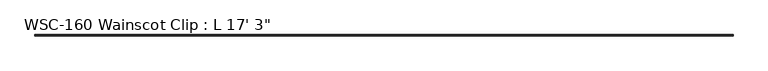
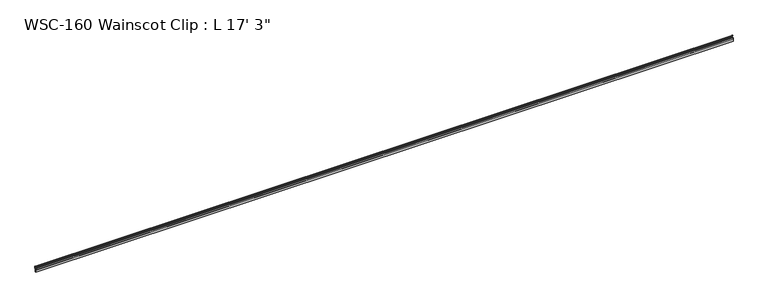
"""IFC4 building model written with IfcOpenShell, lengths in millimetres: proxy geometry."""

from ifc_helpers import new_model, si_unit, frame, origin, place, context, project, spatial, polyline, circle_curve, source, transform, mapped, element, save
from ifc_brep_helpers import plane_surface, cylinder_surface, revolved_surface, advanced_brep


def proxy_255d72a4(model_context):
    return source(origin(), model_context, "Body", "AdvancedBrep", [
        advanced_brep(
        [(5257.8, -2.3858534, 23.8097395), (5257.8, 0.0, 23.8097395), (5257.8, 0.0, 36.5513594), (5257.8, -2.3349522, 39.6132126), (5257.8, -2.0809522, 40.594561), (5257.8, -2.3349522, 41.3393599), (5257.8, -2.0809522, 42.1048475), (5257.8, -2.3329752, 43.1624591), (5257.8, -4.1129522, 43.1610826), (5257.8, -4.3669522, 42.395595), (5257.8, -4.1129522, 41.6507961), (5257.8, -4.3669522, 40.8853085), (5257.8, -4.1129522, 40.1405096), (5257.8, -4.1129522, 38.1388594), (5257.8, -3.175, 38.1388594), (5257.8, -1.5875, 36.5513594), (5257.8, -1.5875, 33.1154996), (5257.8, -1.3035832, 32.0559078), (5257.8, -1.3035832, 30.7205546), (5257.8, -1.5875, 29.9404996), (5257.8, -1.5875, 26.9720395), (5257.8, -3.1623, 25.3972395), (5257.8, -5.8629506, 25.3951457), (5257.8, -5.5328714, 24.6872886), (5257.8, -5.8629506, 23.9794315), (5257.8, -5.5328714, 23.2715744), (5257.8, -5.8629506, 22.5637173), (5257.8, -5.5328714, 21.8558602), (5257.8, -5.8629506, 21.1480031), (5257.8, -5.5328714, 20.440146), (5257.8, -5.8629506, 19.7322889), (5257.8, -5.5328714, 19.0244318), (5257.8, -5.8629506, 18.3165747), (5257.8, -5.5328714, 17.6087176), (5257.8, -5.8629506, 16.9008605), (5257.8, -5.5328714, 16.1930034), (5257.8, -5.5328714, 15.3090246), (5257.8, -8.2409572, 15.4279003), (5257.8, -8.2409572, 16.3510451), (5257.8, -8.050618, 17.1144537), (5257.8, -8.2409572, 17.9053684), (5257.8, -8.050618, 18.8008436), (5257.8, -8.2409572, 19.7152763), (5257.8, -8.050618, 20.4786849), (5257.8, -8.2409572, 21.3931176), (5257.8, -8.050618, 22.1565262), (5257.8, -8.2409572, 22.9474409), (5257.8, -8.050618, 23.7108495), (5257.8, -8.2409572, 24.5017642), (5257.8, -8.050618, 25.3972395), (5257.8, -9.525, 25.3972395), (5257.8, -9.525, 0.0), (5257.8, -5.6374865, 0.0), (5257.8, -5.6374865, 1.5327614), (5257.8, -6.5278, 1.5327614), (5257.8, -6.5278, 5.9833241), (5257.8, -7.2186149, 6.674139), (5257.8, -6.5278, 7.3649539), (5257.8, -6.5278, 11.8248539), (5257.8, -5.73278, 12.6198739), (5257.8, -3.9733534, 14.1980366), (5257.8, -3.9733534, 22.2222395), (0.0, -2.3858534, 23.8097395), (0.0, -3.9733534, 22.2222395), (0.0, -3.9733534, 14.1980366), (0.0, -5.73278, 12.6198739), (0.0, -6.5278, 11.8248539), (0.0, -6.5278, 7.3649539), (0.0, -7.2186149, 6.674139), (0.0, -6.5278, 5.9833241), (0.0, -6.5278, 1.5327614), (0.0, -5.6374865, 1.5327614), (0.0, -5.6374865, 0.0), (0.0, -9.525, 0.0), (0.0, -9.525, 25.3972395), (0.0, -8.050618, 25.3972395), (0.0, -8.2409572, 24.5017642), (0.0, -8.050618, 23.7108495), (0.0, -8.2409572, 22.9474409), (0.0, -8.050618, 22.1565262), (0.0, -8.2409572, 21.3931176), (0.0, -8.050618, 20.4786849), (0.0, -8.2409572, 19.7152763), (0.0, -8.050618, 18.8008436), (0.0, -8.2409572, 17.9053684), (0.0, -8.050618, 17.1144537), (0.0, -8.2409572, 16.3510451), (0.0, -8.2409572, 15.4279003), (0.0, -5.5328714, 15.3090246), (0.0, -5.5328714, 16.1930034), (0.0, -5.8629506, 16.9008605), (0.0, -5.5328714, 17.6087176), (0.0, -5.8629506, 18.3165747), (0.0, -5.5328714, 19.0244318), (0.0, -5.8629506, 19.7322889), (0.0, -5.5328714, 20.440146), (0.0, -5.8629506, 21.1480031), (0.0, -5.5328714, 21.8558602), (0.0, -5.8629506, 22.5637173), (0.0, -5.5328714, 23.2715744), (0.0, -5.8629506, 23.9794315), (0.0, -5.5328714, 24.6872886), (0.0, -5.8629506, 25.3951457), (0.0, -3.1623, 25.3951457), (0.0, -1.5875, 26.9720395), (0.0, -1.5875, 29.9404996), (0.0, -1.3035832, 30.7205546), (0.0, -1.3035832, 32.0559078), (0.0, -1.5875, 33.1154996), (0.0, -1.5875, 36.5513594), (0.0, -3.175, 38.1388594), (0.0, -4.1129522, 38.1388594), (0.0, -4.1129522, 40.1405096), (0.0, -4.3669522, 40.8853085), (0.0, -4.1129522, 41.6507961), (0.0, -4.3669522, 42.395595), (0.0, -4.1129522, 43.1610826), (0.0, -2.3329752, 43.1624591), (0.0, -2.0809522, 42.1048475), (0.0, -2.3349522, 41.3393599), (0.0, -2.0809522, 40.594561), (0.0, -2.3349522, 39.6132126), (0.0, 0.0, 36.5513594), (0.0, 0.0, 23.8097395)],
        [
            (0, 1),
            (1, 2),
            (2, 3, circle_curve(frame((5257.8, -3.175, 36.5513594), z_axis=(1.0, 0.0, 0.0), x_axis=(0.0, 0.0, -1.0)), 3.175)),
            (3, 4),
            (4, 5),
            (5, 6),
            (6, 7),
            (7, 8, circle_curve(frame((5257.8, -3.2239522, 44.4400699), z_axis=(-1.0, 0.0, 0.0), x_axis=(0.0, 0.0, -1.0)), 1.5576038)),
            (8, 9),
            (9, 10),
            (10, 11),
            (11, 12),
            (12, 13),
            (13, 14),
            (14, 15, circle_curve(frame((5257.8, -3.175, 36.5513594), z_axis=(-1.0, 0.0, 0.0), x_axis=(0.0, 0.0, -1.0)), 1.5875)),
            (15, 16),
            (16, 17),
            (17, 18),
            (18, 19),
            (19, 20),
            (20, 21, circle_curve(frame((5257.8, -3.1623, 26.9720395), z_axis=(-1.0, 0.0, 0.0), x_axis=(0.0, 0.0, -1.0)), 1.5748)),
            (21, 22),
            (22, 23),
            (23, 24),
            (24, 25),
            (25, 26),
            (26, 27),
            (27, 28),
            (28, 29),
            (29, 30),
            (30, 31),
            (31, 32),
            (32, 33),
            (33, 34),
            (34, 35),
            (35, 36),
            (36, 37, circle_curve(frame((5257.8, -6.8679054, 15.8014998), z_axis=(-1.0, 0.0, 0.0), x_axis=(0.0, 0.0, -1.0)), 1.4229714)),
            (37, 38),
            (38, 39),
            (39, 40),
            (40, 41),
            (41, 42),
            (42, 43),
            (43, 44),
            (44, 45),
            (45, 46),
            (46, 47),
            (47, 48),
            (48, 49),
            (49, 50),
            (50, 51),
            (51, 52),
            (52, 53),
            (53, 54),
            (54, 55),
            (55, 56),
            (56, 57),
            (57, 58),
            (58, 59, circle_curve(frame((5257.8, -5.73278, 11.8248539), z_axis=(-1.0, 0.0, 0.0), x_axis=(0.0, 0.0, -1.0)), 0.79502)),
            (59, 60, circle_curve(frame((5257.8, -5.5608534, 14.1980366), z_axis=(1.0, 0.0, 0.0), x_axis=(0.0, 0.0, -1.0)), 1.5875)),
            (60, 61),
            (61, 0, circle_curve(frame((5257.8, -2.3858534, 22.2222395), z_axis=(-1.0, 0.0, 0.0), x_axis=(0.0, 0.0, -1.0)), 1.5875)),
            (62, 63, circle_curve(frame((0.0, -2.3858534, 22.2222395), z_axis=(1.0, 0.0, 0.0), x_axis=(0.0, 0.0, -1.0)), 1.5875)),
            (63, 64),
            (64, 65, circle_curve(frame((0.0, -5.5608534, 14.1980366), z_axis=(-1.0, 0.0, 0.0), x_axis=(0.0, 0.0, -1.0)), 1.5875)),
            (65, 66, circle_curve(frame((0.0, -5.73278, 11.8248539), z_axis=(1.0, 0.0, 0.0), x_axis=(0.0, 0.0, -1.0)), 0.79502)),
            (66, 67),
            (67, 68),
            (68, 69),
            (69, 70),
            (70, 71),
            (71, 72),
            (72, 73),
            (73, 74),
            (74, 75),
            (75, 76),
            (76, 77),
            (77, 78),
            (78, 79),
            (79, 80),
            (80, 81),
            (81, 82),
            (82, 83),
            (83, 84),
            (84, 85),
            (85, 86),
            (86, 87),
            (87, 88, circle_curve(frame((0.0, -6.8679054, 15.8014998), z_axis=(1.0, 0.0, 0.0), x_axis=(0.0, 0.0, -1.0)), 1.4229714)),
            (88, 89),
            (89, 90),
            (90, 91),
            (91, 92),
            (92, 93),
            (93, 94),
            (94, 95),
            (95, 96),
            (96, 97),
            (97, 98),
            (98, 99),
            (99, 100),
            (100, 101),
            (101, 102),
            (102, 103),
            (103, 104, circle_curve(frame((0.0, -3.1623, 26.9720395), z_axis=(1.0, 0.0, 0.0), x_axis=(0.0, 0.0, -1.0)), 1.5748)),
            (104, 105),
            (105, 106),
            (106, 107),
            (107, 108),
            (108, 109),
            (109, 110, circle_curve(frame((0.0, -3.175, 36.5513594), z_axis=(1.0, 0.0, 0.0), x_axis=(0.0, 0.0, -1.0)), 1.5875)),
            (110, 111),
            (111, 112),
            (112, 113),
            (113, 114),
            (114, 115),
            (115, 116),
            (116, 117, circle_curve(frame((0.0, -3.2239522, 44.4400699), z_axis=(1.0, 0.0, 0.0), x_axis=(0.0, 0.0, -1.0)), 1.5576038)),
            (117, 118),
            (118, 119),
            (119, 120),
            (120, 121),
            (121, 122, circle_curve(frame((0.0, -3.175, 36.5513594), z_axis=(-1.0, 0.0, 0.0), x_axis=(0.0, 0.0, -1.0)), 3.175)),
            (122, 123),
            (123, 62),
            (0, 62),
            (123, 1),
            (122, 2),
            (121, 3),
            (120, 4),
            (119, 5),
            (118, 6),
            (117, 7),
            (116, 8),
            (115, 9),
            (114, 10),
            (113, 11),
            (112, 12),
            (111, 13),
            (110, 14),
            (109, 15),
            (108, 16),
            (107, 17),
            (106, 18),
            (105, 19),
            (104, 20),
            (103, 21),
            (102, 22),
            (101, 23),
            (100, 24),
            (99, 25),
            (98, 26),
            (97, 27),
            (96, 28),
            (95, 29),
            (94, 30),
            (93, 31),
            (92, 32),
            (91, 33),
            (90, 34),
            (89, 35),
            (88, 36),
            (87, 37),
            (86, 38),
            (85, 39),
            (84, 40),
            (83, 41),
            (82, 42),
            (81, 43),
            (80, 44),
            (79, 45),
            (78, 46),
            (77, 47),
            (76, 48),
            (75, 49),
            (74, 50),
            (73, 51),
            (72, 52),
            (71, 53),
            (70, 54),
            (69, 55),
            (68, 56),
            (67, 57),
            (66, 58),
            (65, 59),
            (64, 60),
            (63, 61),
        ],
        [
            plane_surface(frame((5257.8, -2.3858534, 23.8097395), z_axis=(1.0, 0.0, 0.0), x_axis=(0.0, 1.0, 0.0))),
            plane_surface(frame((0.0, -2.3858534, 23.8097395), z_axis=(-1.0, 0.0, 0.0), x_axis=(0.0, -1.0, 0.0))),
            plane_surface(frame((5257.8, -2.3858534, 23.8097395), z_axis=(0.0, 0.0, -1.0), x_axis=(-1.0, 0.0, 0.0))),
            plane_surface(frame((5257.8, 0.0, 23.8097395), z_axis=(0.0, 1.0, 0.0), x_axis=(-1.0, 0.0, 0.0))),
            cylinder_surface(frame((0.0, -3.175, 36.5513594), z_axis=(1.0, 0.0, 0.0), x_axis=(0.0, 0.0, -1.0)), 3.175),
            plane_surface(frame((5257.8, -2.3349522, 39.6132126), z_axis=(0.0, 0.9680983532440974, -0.25057050593808283), x_axis=(-1.0, 0.0, 0.0))),
            plane_surface(frame((5257.8, -2.0809522, 40.594561), z_axis=(0.0, 0.9464747536957336, 0.32277785025710864), x_axis=(-1.0, 0.0, 0.0))),
            plane_surface(frame((5257.8, -2.3349522, 41.3393599), z_axis=(0.0, 0.9491148332111727, -0.3149302039794338), x_axis=(-1.0, 0.0, 0.0))),
            plane_surface(frame((5257.8, -2.0809522, 42.1048475), z_axis=(0.0, 0.9727625382470033, 0.23180389164819368), x_axis=(-1.0, 0.0, 0.0))),
            revolved_surface(polyline([(0.0, -3.2239522, 42.882466099999995), (5257.8, -3.2239522, 42.882466099999995)]), (0.0, -3.2239522, 44.4400699), (-1.0, 0.0, 0.0)),
            plane_surface(frame((5257.8, -4.1129522, 43.1610826), z_axis=(0.0, -0.9491148332111751, 0.31493020397942695), x_axis=(-1.0, 0.0, 0.0))),
            plane_surface(frame((5257.8, -4.3669522, 42.395595), z_axis=(0.0, -0.946474753695733, -0.3227778502571104), x_axis=(-1.0, 0.0, 0.0))),
            plane_surface(frame((5257.8, -4.1129522, 41.6507961), z_axis=(0.0, -0.9491148332111737, 0.31493020397943094), x_axis=(-1.0, 0.0, 0.0))),
            plane_surface(frame((5257.8, -4.3669522, 40.8853085), z_axis=(0.0, -0.946474753695735, -0.32277785025710465), x_axis=(-1.0, 0.0, 0.0))),
            plane_surface(frame((5257.8, -4.1129522, 40.1405096), z_axis=(0.0, -1.0, 0.0), x_axis=(-1.0, 0.0, 0.0))),
            plane_surface(frame((5257.8, -4.1129522, 38.1388594), z_axis=(0.0, 0.0, -1.0), x_axis=(-1.0, 0.0, 0.0))),
            revolved_surface(polyline([(0.0, -3.175, 34.963859400000004), (5257.8, -3.175, 34.963859400000004)]), (0.0, -3.175, 36.5513594), (-1.0, 0.0, 0.0)),
            plane_surface(frame((5257.8, -1.5875, 36.5513594), z_axis=(0.0, -1.0, 0.0), x_axis=(-1.0, 0.0, 0.0))),
            plane_surface(frame((5257.8, -1.5875, 33.1154996), z_axis=(0.0, -0.9659258262890671, -0.2588190451025254), x_axis=(-1.0, 0.0, 0.0))),
            plane_surface(frame((5257.8, -1.3035832, 32.0559078), z_axis=(0.0, -1.0, 0.0), x_axis=(-1.0, 0.0, 0.0))),
            plane_surface(frame((5257.8, -1.3035832, 30.7205546), z_axis=(0.0, -0.9396926207859093, 0.3420201433256662), x_axis=(-1.0, 0.0, 0.0))),
            plane_surface(frame((5257.8, -1.5875, 29.9404996), z_axis=(0.0, -1.0, 0.0), x_axis=(-1.0, 0.0, 0.0))),
            revolved_surface(polyline([(0.0, -3.1623, 25.3972395), (5257.8, -3.1623, 25.3972395)]), (0.0, -3.1623, 26.9720395), (-1.0, 0.0, 0.0)),
            plane_surface(frame((5257.8, -3.1623, 25.3951457), z_axis=(0.0, 0.0, 1.0), x_axis=(-1.0, 0.0, 0.0))),
            plane_surface(frame((5257.8, -5.8629506, 25.3951457), z_axis=(0.0, -0.9063077870366459, -0.4226182617407081), x_axis=(-1.0, 0.0, 0.0))),
            plane_surface(frame((5257.8, -5.5328714, 24.6872886), z_axis=(0.0, -0.9063077870366516, 0.42261826174069606), x_axis=(-1.0, 0.0, 0.0))),
            plane_surface(frame((5257.8, -5.8629506, 23.9794315), z_axis=(0.0, -0.9063077870366458, -0.4226182617407084), x_axis=(-1.0, 0.0, 0.0))),
            plane_surface(frame((5257.8, -5.5328714, 23.2715744), z_axis=(0.0, -0.906307787036653, 0.42261826174069284), x_axis=(-1.0, 0.0, 0.0))),
            plane_surface(frame((5257.8, -5.8629506, 22.5637173), z_axis=(0.0, -0.9063077870366464, -0.4226182617407073), x_axis=(-1.0, 0.0, 0.0))),
            plane_surface(frame((5257.8, -5.5328714, 21.8558602), z_axis=(0.0, -0.9063077870366542, 0.4226182617406906), x_axis=(-1.0, 0.0, 0.0))),
            plane_surface(frame((5257.8, -5.8629506, 21.1480031), z_axis=(0.0, -0.9063077870366474, -0.4226182617407052), x_axis=(-1.0, 0.0, 0.0))),
            plane_surface(frame((5257.8, -5.5328714, 20.440146), z_axis=(0.0, -0.9063077870366553, 0.4226182617406882), x_axis=(-1.0, 0.0, 0.0))),
            plane_surface(frame((5257.8, -5.8629506, 19.7322889), z_axis=(0.0, -0.9063077870366473, -0.4226182617407052), x_axis=(-1.0, 0.0, 0.0))),
            plane_surface(frame((5257.8, -5.5328714, 19.0244318), z_axis=(0.0, -0.9063077870366582, 0.42261826174068207), x_axis=(-1.0, 0.0, 0.0))),
            plane_surface(frame((5257.8, -5.8629506, 18.3165747), z_axis=(0.0, -0.9063077870366459, -0.4226182617407081), x_axis=(-1.0, 0.0, 0.0))),
            plane_surface(frame((5257.8, -5.5328714, 17.6087176), z_axis=(0.0, -0.906307787036658, 0.42261826174068207), x_axis=(-1.0, 0.0, 0.0))),
            plane_surface(frame((5257.8, -5.8629506, 16.9008605), z_axis=(0.0, -0.9063077870366475, -0.42261826174070494), x_axis=(-1.0, 0.0, 0.0))),
            plane_surface(frame((5257.8, -5.5328714, 16.1930034), z_axis=(0.0, -1.0, 0.0), x_axis=(-1.0, 0.0, 0.0))),
            revolved_surface(polyline([(0.0, -6.8679054, 14.3785284), (5257.8, -6.8679054, 14.3785284)]), (0.0, -6.8679054, 15.8014998), (-1.0, 0.0, 0.0)),
            plane_surface(frame((5257.8, -8.2409572, 15.4279003), z_axis=(0.0, 1.0, 0.0), x_axis=(-1.0, 0.0, 0.0))),
            plane_surface(frame((5257.8, -8.2409572, 16.3510451), z_axis=(0.0, 0.9702957262759974, -0.2419218955996646), x_axis=(-1.0, 0.0, 0.0))),
            plane_surface(frame((5257.8, -8.050618, 17.1144537), z_axis=(0.0, 0.9722421717392611, 0.23397683537419944), x_axis=(-1.0, 0.0, 0.0))),
            plane_surface(frame((5257.8, -8.2409572, 17.9053684), z_axis=(0.0, 0.9781476007338057, -0.20791169081775937), x_axis=(-1.0, 0.0, 0.0))),
            plane_surface(frame((5257.8, -8.050618, 18.8008436), z_axis=(0.0, 0.9790162504721776, 0.2037821908592571), x_axis=(-1.0, 0.0, 0.0))),
            plane_surface(frame((5257.8, -8.2409572, 19.7152763), z_axis=(0.0, 0.9702957262759989, -0.24192189559965824), x_axis=(-1.0, 0.0, 0.0))),
            plane_surface(frame((5257.8, -8.050618, 20.4786849), z_axis=(0.0, 0.9790162504721778, 0.20378219085925564), x_axis=(-1.0, 0.0, 0.0))),
            plane_surface(frame((5257.8, -8.2409572, 21.3931176), z_axis=(0.0, 0.9702957262759974, -0.24192189559966457), x_axis=(-1.0, 0.0, 0.0))),
            plane_surface(frame((5257.8, -8.050618, 22.1565262), z_axis=(0.0, 0.9722421717392612, 0.23397683537419922), x_axis=(-1.0, 0.0, 0.0))),
            plane_surface(frame((5257.8, -8.2409572, 22.9474409), z_axis=(0.0, 0.9702957262759969, -0.2419218955996659), x_axis=(-1.0, 0.0, 0.0))),
            plane_surface(frame((5257.8, -8.050618, 23.7108495), z_axis=(0.0, 0.9722421717392613, 0.23397683537419872), x_axis=(-1.0, 0.0, 0.0))),
            plane_surface(frame((5257.8, -8.2409572, 24.5017642), z_axis=(0.0, 0.9781476007338065, -0.20791169081775543), x_axis=(-1.0, 0.0, 0.0))),
            plane_surface(frame((5257.8, -8.050618, 25.3972395), z_axis=(0.0, 0.0, 1.0), x_axis=(-1.0, 0.0, 0.0))),
            plane_surface(frame((5257.8, -9.525, 25.3972395), z_axis=(0.0, -1.0, 0.0), x_axis=(-1.0, 0.0, 0.0))),
            plane_surface(frame((5257.8, -9.525, 0.0), z_axis=(0.0, 0.0, -1.0), x_axis=(-1.0, 0.0, 0.0))),
            plane_surface(frame((5257.8, -5.6374865, 0.0), z_axis=(0.0, 1.0, 0.0), x_axis=(-1.0, 0.0, 0.0))),
            plane_surface(frame((5257.8, -5.6374865, 1.5327614), z_axis=(0.0, 0.0, 1.0), x_axis=(-1.0, 0.0, 0.0))),
            plane_surface(frame((5257.8, -6.5278, 1.5327614), z_axis=(0.0, 1.0, 0.0), x_axis=(-1.0, 0.0, 0.0))),
            plane_surface(frame((5257.8, -6.5278, 5.9833241), z_axis=(0.0, 0.7071067811866016, 0.7071067811864934), x_axis=(-1.0, 0.0, 0.0))),
            plane_surface(frame((5257.8, -7.2186149, 6.674139), z_axis=(0.0, 0.7071067811864284, -0.7071067811866666), x_axis=(-1.0, 0.0, 0.0))),
            plane_surface(frame((5257.8, -6.5278, 7.3649539), z_axis=(0.0, 1.0, 0.0), x_axis=(-1.0, 0.0, 0.0))),
            revolved_surface(polyline([(0.0, -5.73278, 11.029833900000002), (5257.8, -5.73278, 11.029833900000002)]), (0.0, -5.73278, 11.8248539), (-1.0, 0.0, 0.0)),
            cylinder_surface(frame((0.0, -5.5608534, 14.1980366), z_axis=(1.0, 0.0, 0.0), x_axis=(0.0, 0.0, -1.0)), 1.5875),
            plane_surface(frame((5257.8, -3.9733534, 14.1980366), z_axis=(0.0, 1.0, 0.0), x_axis=(-1.0, 0.0, 0.0))),
            revolved_surface(polyline([(0.0, -2.3858534, 20.634739500000002), (5257.8, -2.3858534, 20.634739500000002)]), (0.0, -2.3858534, 22.2222395), (-1.0, 0.0, 0.0)),
        ],
        [
            (0, [[1, 2, 3, 4, 5, 6, 7, 8, 9, 10, 11, 12, 13, 14, 15, 16, 17, 18, 19, 20, 21, 22, 23, 24, 25, 26, 27, 28, 29, 30, 31, 32, 33, 34, 35, 36, 37, 38, 39, 40, 41, 42, 43, 44, 45, 46, 47, 48, 49, 50, 51, 52, 53, 54, 55, 56, 57, 58, 59, 60, 61, 62]]),
            (1, [[63, 64, 65, 66, 67, 68, 69, 70, 71, 72, 73, 74, 75, 76, 77, 78, 79, 80, 81, 82, 83, 84, 85, 86, 87, 88, 89, 90, 91, 92, 93, 94, 95, 96, 97, 98, 99, 100, 101, 102, 103, 104, 105, 106, 107, 108, 109, 110, 111, 112, 113, 114, 115, 116, 117, 118, 119, 120, 121, 122, 123, 124]]),
            (2, [[-1, 125, -124, 126]]),
            (3, [[-2, -126, -123, 127]]),
            (4, [[-3, -127, -122, 128]]),
            (5, [[-4, -128, -121, 129]]),
            (6, [[-5, -129, -120, 130]]),
            (7, [[-6, -130, -119, 131]]),
            (8, [[-7, -131, -118, 132]]),
            (9, [[-8, -132, -117, 133]]),
            (10, [[-9, -133, -116, 134]]),
            (11, [[-10, -134, -115, 135]]),
            (12, [[-11, -135, -114, 136]]),
            (13, [[-12, -136, -113, 137]]),
            (14, [[-13, -137, -112, 138]]),
            (15, [[-14, -138, -111, 139]]),
            (16, [[-15, -139, -110, 140]]),
            (17, [[-16, -140, -109, 141]]),
            (18, [[-17, -141, -108, 142]]),
            (19, [[-18, -142, -107, 143]]),
            (20, [[-19, -143, -106, 144]]),
            (21, [[-20, -144, -105, 145]]),
            (22, [[-21, -145, -104, 146]]),
            (23, [[-22, -146, -103, 147]]),
            (24, [[-23, -147, -102, 148]]),
            (25, [[-24, -148, -101, 149]]),
            (26, [[-25, -149, -100, 150]]),
            (27, [[-26, -150, -99, 151]]),
            (28, [[-27, -151, -98, 152]]),
            (29, [[-28, -152, -97, 153]]),
            (30, [[-29, -153, -96, 154]]),
            (31, [[-30, -154, -95, 155]]),
            (32, [[-31, -155, -94, 156]]),
            (33, [[-32, -156, -93, 157]]),
            (34, [[-33, -157, -92, 158]]),
            (35, [[-34, -158, -91, 159]]),
            (36, [[-35, -159, -90, 160]]),
            (37, [[-36, -160, -89, 161]]),
            (38, [[-37, -161, -88, 162]]),
            (39, [[-38, -162, -87, 163]]),
            (40, [[-39, -163, -86, 164]]),
            (41, [[-40, -164, -85, 165]]),
            (42, [[-41, -165, -84, 166]]),
            (43, [[-42, -166, -83, 167]]),
            (44, [[-43, -167, -82, 168]]),
            (45, [[-44, -168, -81, 169]]),
            (46, [[-45, -169, -80, 170]]),
            (47, [[-46, -170, -79, 171]]),
            (48, [[-47, -171, -78, 172]]),
            (49, [[-48, -172, -77, 173]]),
            (50, [[-49, -173, -76, 174]]),
            (51, [[-50, -174, -75, 175]]),
            (52, [[-51, -175, -74, 176]]),
            (53, [[-52, -176, -73, 177]]),
            (54, [[-53, -177, -72, 178]]),
            (55, [[-54, -178, -71, 179]]),
            (56, [[-55, -179, -70, 180]]),
            (57, [[-56, -180, -69, 181]]),
            (58, [[-57, -181, -68, 182]]),
            (59, [[-58, -182, -67, 183]]),
            (60, [[-59, -183, -66, 184]]),
            (61, [[-60, -184, -65, 185]]),
            (62, [[-61, -185, -64, 186]]),
            (63, [[-62, -186, -63, -125]]),
        ],
    ),
    ])


if __name__ == "__main__":
    model = new_model("IFC4")
    model_context = context("Model", 3, world=origin())
    ifc_project = project(units=[si_unit("LENGTHUNIT", "METRE", prefix="MILLI")], contexts=[model_context])
    site = spatial("IfcSite", under=ifc_project)
    building = spatial("IfcBuilding", under=site)
    placement = place(None, origin())
    proxy_shape = proxy_255d72a4(model_context)
    element("IfcBuildingElementProxy", 1, Name="WSC-160 Wainscot Clip : L 17' 3\"", ObjectType="WSC-160 Wainscot Clip : L 17' 3\"", at=placement, inside=building, context=model_context, shape_type="MappedRepresentation", body=[
        mapped(proxy_shape, transform((0.0, 0.0, 0.0), x_axis=(1.0, 0.0, 0.0), y_axis=(0.0, 1.0, 0.0), z_axis=(0.0, 0.0, 1.0))),
    ])
    save(model, "model.ifc")
